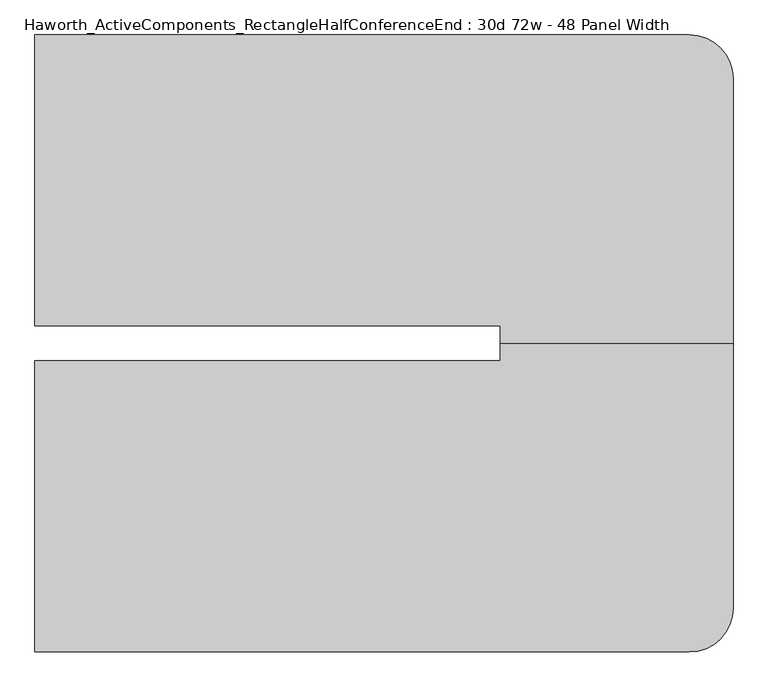
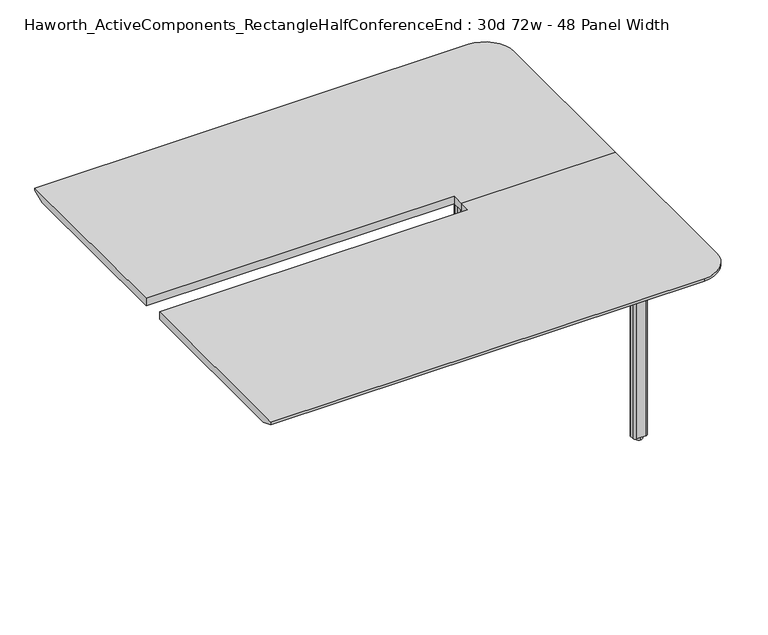
"""IFC4 building model written with IfcOpenShell, lengths in millimetres: furniture geometry, Haworth_ActiveComponents_RectangleHalfConferenceEnd : 30d 72w - 48 Panel Width."""

import ifcopenshell
import ifcopenshell.guid

model = None  # the IFC model being written
_history = None  # IfcOwnerHistory: only IFC2X3 demands one
_inside = {}  # id of a spatial element -> (the spatial element, [elements in it])
_under = {}  # id of a project, library or spatial element -> (it, [spatial elements below it])
_declared = {}  # id of a project -> (the project, [libraries it declares])
_typed = {}  # id of a type object -> (the type object, [elements of that type])
_made_of = {}  # id of a material, layer set ... -> (it, [elements and type objects made of it])


def new_model(schema):
    """Start an empty IFC model of exactly this schema.

    Asked for "IFC4X3", IfcOpenShell would pick the latest addendum, in which some entities
    have other attributes; the version numbers below select the first issue.
    IFC2X3 requires an IfcOwnerHistory on every rooted entity: one is made here for all.
    """
    global model, _history
    if schema == "IFC4X3":
        model = ifcopenshell.file(schema_version=(4, 3, 0, 0))
    else:
        model = ifcopenshell.file(schema=schema)
    _inside.clear()
    _under.clear()
    _declared.clear()
    _typed.clear()
    _made_of.clear()
    _history = None
    if model.schema == "IFC2X3":
        org = make("IfcOrganization", Name="unknown")
        user = make(
            "IfcPersonAndOrganization",
            ThePerson=make("IfcPerson", FamilyName="unknown"),
            TheOrganization=org,
        )
        app = make(
            "IfcApplication",
            ApplicationDeveloper=org,
            Version="unknown",
            ApplicationFullName="unknown",
            ApplicationIdentifier="unknown",
        )
        _history = make(
            "IfcOwnerHistory",
            OwningUser=user,
            OwningApplication=app,
            ChangeAction="ADDED",
            CreationDate=0,
        )
    return model


def make(cls, **values):
    """One entity of the class cls with the attributes given. An attribute that is None is left unset."""
    return model.create_entity(
        cls, **{name: value for name, value in values.items() if value is not None}
    )


def rooted(cls, **values):
    """An entity with a GlobalId (a new one), such as an element, a storey or a relation."""
    return make(cls, GlobalId=ifcopenshell.guid.new(), OwnerHistory=_history, **values)


def si_unit(unit_type, name, prefix=None):
    """IfcSIUnit, for example si_unit("LENGTHUNIT", "METRE", prefix="MILLI")."""
    return make("IfcSIUnit", UnitType=unit_type, Prefix=prefix, Name=name)


def assignment(units):
    """IfcUnitAssignment: the units of a project."""
    return None if units is None else make("IfcUnitAssignment", Units=units)


def point(xyz):
    """IfcCartesianPoint."""
    return None if xyz is None else make("IfcCartesianPoint", Coordinates=xyz)


def direction(xyz):
    """IfcDirection."""
    return None if xyz is None else make("IfcDirection", DirectionRatios=xyz)


def frame(location, z_axis=None, x_axis=None):
    """IfcAxis2Placement3D, a coordinate frame: its origin and axes. An axis left out is left unset."""
    return make(
        "IfcAxis2Placement3D",
        Location=point(location),
        Axis=direction(z_axis),
        RefDirection=direction(x_axis),
    )


def frame_2d(location, x_axis=None):
    """IfcAxis2Placement2D, a coordinate frame in the plane: its origin and x axis."""
    return make(
        "IfcAxis2Placement2D", Location=point(location), RefDirection=direction(x_axis)
    )


def origin():
    """The frame at (0, 0, 0) with its axes left unset."""
    return frame((0.0, 0.0, 0.0))


def origin_with_axes():
    """The frame at (0, 0, 0) with the z axis (0, 0, 1) and the x axis (1, 0, 0) written out."""
    return frame((0.0, 0.0, 0.0), z_axis=(0.0, 0.0, 1.0), x_axis=(1.0, 0.0, 0.0))


def place(relative_to, where):
    """IfcLocalPlacement: puts the frame where relative to a parent placement (None: the world)."""
    return make(
        "IfcLocalPlacement", PlacementRelTo=relative_to, RelativePlacement=where
    )


def context(
    kind, dimensions, precision=None, world=None, true_north=None, identifier=None
):
    """IfcGeometricRepresentationContext, for example the 3D "Model" context."""
    return make(
        "IfcGeometricRepresentationContext",
        ContextIdentifier=identifier,
        ContextType=kind,
        CoordinateSpaceDimension=dimensions,
        Precision=precision,
        WorldCoordinateSystem=world,
        TrueNorth=true_north,
    )


def project(units=None, contexts=None):
    """IfcProject with its units and contexts."""
    return rooted(
        "IfcProject",
        Name="project",
        RepresentationContexts=contexts,
        UnitsInContext=assignment(units),
    )


def spatial(cls, under=None, at=None, **own):
    """A site, building, storey or space (cls), placed at a placement, below another one or the project."""
    s = rooted(cls, ObjectPlacement=at, **own)
    if under is not None:
        _under.setdefault(under.id(), (under, []))[1].append(s)
    return s


def polyline(points):
    """IfcPolyline through the points."""
    return make("IfcPolyline", Points=[point(p) for p in points])


def circle_curve(where, radius):
    """IfcCircle in the frame where."""
    return make("IfcCircle", Position=where, Radius=radius)


def trimmed(basis, trim1, trim2, sense, master):
    """IfcTrimmedCurve: the piece of a basis curve between two trims."""
    return make(
        "IfcTrimmedCurve",
        BasisCurve=basis,
        Trim1=trim1,
        Trim2=trim2,
        SenseAgreement=sense,
        MasterRepresentation=master,
    )


def segment(curve, same_sense, transition):
    """IfcCompositeCurveSegment."""
    return make(
        "IfcCompositeCurveSegment",
        Transition=transition,
        SameSense=same_sense,
        ParentCurve=curve,
    )


def composite_curve(segments, self_intersect=None):
    """IfcCompositeCurve: segments joined end to end."""
    return make("IfcCompositeCurve", Segments=segments, SelfIntersect=self_intersect)


def outline(outer, holes=None, kind="AREA"):
    """IfcArbitraryClosedProfileDef: a profile drawn as a closed curve; with holes, ...WithVoids."""
    if holes is None:
        return make("IfcArbitraryClosedProfileDef", ProfileType=kind, OuterCurve=outer)
    return make(
        "IfcArbitraryProfileDefWithVoids",
        ProfileType=kind,
        OuterCurve=outer,
        InnerCurves=holes,
    )


def extrude(swept, where, along, depth):
    """IfcExtrudedAreaSolid: the profile swept, set in the frame where, extruded along a direction by depth."""
    return make(
        "IfcExtrudedAreaSolid",
        SweptArea=swept,
        Position=where,
        ExtrudedDirection=direction(along),
        Depth=depth,
    )


def shape(context_of_items, identifier, shape_type, items):
    """IfcShapeRepresentation: the items that make up one representation, for example the "Body"."""
    return make(
        "IfcShapeRepresentation",
        ContextOfItems=context_of_items,
        RepresentationIdentifier=identifier,
        RepresentationType=shape_type,
        Items=items,
    )


def source(mapping_origin, context_of_items, identifier, shape_type, items):
    """IfcRepresentationMap: a shape defined once, which mapped items show again and again."""
    return make(
        "IfcRepresentationMap",
        MappingOrigin=mapping_origin,
        MappedRepresentation=shape(context_of_items, identifier, shape_type, items),
    )


def transform(
    local_origin,
    x_axis=None,
    y_axis=None,
    z_axis=None,
    scale=None,
    scale2=None,
    scale3=None,
    uniform=True,
):
    """IfcCartesianTransformationOperator3D, or its non-uniform kind. x_axis, y_axis, z_axis: its Axis1, 2, 3."""
    if uniform:
        return make(
            "IfcCartesianTransformationOperator3D",
            Axis1=direction(x_axis),
            Axis2=direction(y_axis),
            LocalOrigin=point(local_origin),
            Scale=scale,
            Axis3=direction(z_axis),
        )
    return make(
        "IfcCartesianTransformationOperator3DnonUniform",
        Axis1=direction(x_axis),
        Axis2=direction(y_axis),
        LocalOrigin=point(local_origin),
        Scale=scale,
        Axis3=direction(z_axis),
        Scale2=scale2,
        Scale3=scale3,
    )


def mapped(mapping_source, mapping_target):
    """IfcMappedItem: shows the shape of a source again, moved by a transform."""
    return make(
        "IfcMappedItem", MappingSource=mapping_source, MappingTarget=mapping_target
    )


def made_of(thing, what):
    """Note that an element or type object is made of a material, layer set ...; save() writes the relation."""
    if what is not None:
        _made_of.setdefault(what.id(), (what, []))[1].append(thing)
    return thing


def element(
    cls,
    number,
    at=None,
    inside=None,
    cuts=None,
    type_object=None,
    material=None,
    context=None,
    identifier="Body",
    shape_type=None,
    held_by="IfcProductDefinitionShape",
    body=None,
    shapes=None,
    **own,
):
    """One element of the class cls, such as IfcWall. Its Tag is "e" and its number.

    at: its placement. inside: the storey or other place that contains it. cuts: it is an
    opening in that element (IfcRelVoidsElement). A single representation is given by context,
    identifier, shape_type and body (its items); several are given by shapes. held_by: the class
    of the entity that holds the representations. save() writes the other relations.
    """
    e = rooted(cls, Tag="e%d" % number, ObjectPlacement=at, **own)
    if body is not None:
        shapes = [shape(context, identifier, shape_type, body)]
    if shapes is not None:
        e.Representation = make(held_by, Representations=shapes)
    if inside is not None:
        _inside.setdefault(inside.id(), (inside, []))[1].append(e)
    if cuts is not None:
        rooted(
            "IfcRelVoidsElement", RelatingBuildingElement=cuts, RelatedOpeningElement=e
        )
    if type_object is not None:
        _typed.setdefault(type_object.id(), (type_object, []))[1].append(e)
    return made_of(e, material)


def aggregate(whole, parts):
    """IfcRelAggregates: a whole, such as a stair, and the parts it consists of."""
    return rooted("IfcRelAggregates", RelatingObject=whole, RelatedObjects=parts)


def save(model, path):
    """Write the relations noted so far, then the file.

    IfcRelAggregates (storeys below a building ...), IfcRelContainedInSpatialStructure (elements
    in a storey), IfcRelDefinesByType, IfcRelAssociatesMaterial and IfcRelDeclares: one each for
    every whole, place, type object, material and project.
    """
    for whole, parts in _under.values():
        aggregate(whole, parts)
    for where, things in _inside.values():
        rooted(
            "IfcRelContainedInSpatialStructure",
            RelatedElements=things,
            RelatingStructure=where,
        )
    for kind, things in _typed.values():
        rooted("IfcRelDefinesByType", RelatedObjects=things, RelatingType=kind)
    for what, things in _made_of.values():
        rooted("IfcRelAssociatesMaterial", RelatedObjects=things, RelatingMaterial=what)
    for by, libraries in _declared.values():
        rooted("IfcRelDeclares", RelatingContext=by, RelatedDefinitions=libraries)
    model.write(path)


def plane_surface(at):
    """IfcPlane: the flat surface through the origin of the frame at, square to its z axis."""
    return make("IfcPlane", Position=at)


def cylinder_surface(at, radius):
    """IfcCylindricalSurface: all points at the distance radius from the z axis of the frame at."""
    return make("IfcCylindricalSurface", Position=at, Radius=radius)


def revolved_surface(curve, axis_point, axis_direction):
    """IfcSurfaceOfRevolution: the curve turned about the line through axis_point along axis_direction."""
    return make(
        "IfcSurfaceOfRevolution",
        SweptCurve=make("IfcArbitraryOpenProfileDef", ProfileType="CURVE", Curve=curve),
        AxisPosition=make("IfcAxis1Placement", Location=point(axis_point), Axis=direction(axis_direction)),
    )


def advanced_brep(points, edges, surfaces, faces):
    """IfcAdvancedBrep: a solid bounded by faces that lie on surfaces and meet in shared edges.

    An edge is (start, end): straight between two places in points (the first is 0);
    or (start, end, curve); or (start, end, curve, False) where it runs against its curve.
    A face is (place in surfaces, loops), or (place, loops, False) where it looks against
    its surface's normal. A loop lists edges by number (the first is 1), with a minus sign
    where the edge is run from its end to its start. The first loop is the outer one.
    """
    corners = [point(p) for p in points]
    vertices = [make("IfcVertexPoint", VertexGeometry=c) for c in corners]
    made = []
    for start, end, *more in edges:
        made.append(
            make(
                "IfcEdgeCurve",
                EdgeStart=vertices[start],
                EdgeEnd=vertices[end],
                EdgeGeometry=more[0] if more else make("IfcPolyline", Points=[corners[start], corners[end]]),
                SameSense=more[1] if len(more) > 1 else True,
            )
        )
    hull = []
    for where, loops, *sense in faces:
        bounds = []
        for j, loop in enumerate(loops):
            ring = [make("IfcOrientedEdge", EdgeElement=made[abs(k) - 1], Orientation=k > 0) for k in loop]
            bounds.append(
                make(
                    "IfcFaceOuterBound" if j == 0 else "IfcFaceBound",
                    Bound=make("IfcEdgeLoop", EdgeList=ring),
                    Orientation=True,
                )
            )
        hull.append(make("IfcAdvancedFace", Bounds=bounds, FaceSurface=surfaces[where], SameSense=sense[0] if sense else True))
    return make("IfcAdvancedBrep", Outer=make("IfcClosedShell", CfsFaces=hull))


def haworth_activecomponents_rectanglehalfconferenceend_30d_72w_002b44cc(model_context):
    return source(origin(), model_context, "Body", "SolidModel", [
        extrude(outline(composite_curve([segment(polyline([(1027.90625, 830.5340234), (1027.90625, 963.8840234)]), True, "CONTINUOUS"), segment(trimmed(circle_curve(frame_2d((1037.43125, 963.8840234)), 9.525), [point((1027.90625, 963.8840234))], [point((1037.43125, 973.4090234))], False, "CARTESIAN"), True, "CONTINUOUS"), segment(polyline([(1037.43125, 973.4090234), (1170.78125, 973.4090234)]), True, "CONTINUOUS"), segment(trimmed(circle_curve(frame_2d((1170.78125, 963.8840234)), 9.525), [point((1170.78125, 973.4090234))], [point((1180.30625, 963.8840234))], False, "CARTESIAN"), True, "CONTINUOUS"), segment(polyline([(1180.30625, 963.8840234), (1180.30625, 830.5340234)]), True, "CONTINUOUS"), segment(trimmed(circle_curve(frame_2d((1170.78125, 830.5340234)), 9.525), [point((1180.30625, 830.5340234))], [point((1170.78125, 821.0090234))], False, "CARTESIAN"), True, "CONTINUOUS"), segment(polyline([(1170.78125, 821.0090234), (1037.43125, 821.0090234)]), True, "CONTINUOUS"), segment(trimmed(circle_curve(frame_2d((1037.43125, 830.5340234)), 9.525), [point((1037.43125, 821.0090234))], [point((1027.90625, 830.5340234))], False, "CARTESIAN"), True, "CONTINUOUS")], self_intersect=False)), frame((0.0, 0.0, 706.4375), z_axis=(0.0, 0.0, 1.0), x_axis=(1.0, 0.0, 0.0)), (0.0, 0.0, 1.0), 4.7625),
        extrude(outline(composite_curve([segment(trimmed(circle_curve(frame_2d((1104.10625, 897.2090234)), 13.6023831), [point((1104.10625, 910.8114065))], [point((1104.10625, 883.6066404))], False, "CARTESIAN"), True, "CONTINUOUS"), segment(trimmed(circle_curve(frame_2d((1104.10625, 897.2090234)), 13.6023831), [point((1104.10625, 883.6066404))], [point((1104.10625, 910.8114065))], False, "CARTESIAN"), True, "CONTINUOUS")], self_intersect=False)), origin_with_axes(), (0.0, 0.0, 1.0), 12.7),
        extrude(outline(composite_curve([segment(polyline([(1076.325, 889.2715234), (1076.325, 905.1465234)]), True, "CONTINUOUS"), segment(trimmed(circle_curve(frame_2d((1085.85, 905.1465234)), 9.525), [point((1076.325, 905.1465234))], [point((1085.85, 914.6715234))], False, "CARTESIAN"), True, "CONTINUOUS"), segment(polyline([(1085.85, 914.6715234), (1122.3625, 914.6715234)]), True, "CONTINUOUS"), segment(trimmed(circle_curve(frame_2d((1122.3625, 905.1465234)), 9.525), [point((1122.3625, 914.6715234))], [point((1131.8875, 905.1465234))], False, "CARTESIAN"), True, "CONTINUOUS"), segment(polyline([(1131.8875, 905.1465234), (1131.8875, 889.2715234)]), True, "CONTINUOUS"), segment(trimmed(circle_curve(frame_2d((1122.3625, 889.2715234)), 9.525), [point((1131.8875, 889.2715234))], [point((1122.3625, 879.7465234))], False, "CARTESIAN"), True, "CONTINUOUS"), segment(polyline([(1122.3625, 879.7465234), (1085.85, 879.7465234)]), True, "CONTINUOUS"), segment(trimmed(circle_curve(frame_2d((1085.85, 889.2715234)), 9.525), [point((1085.85, 879.7465234))], [point((1076.325, 889.2715234))], False, "CARTESIAN"), True, "CONTINUOUS")], self_intersect=False)), frame((0.0, 0.0, 12.7), z_axis=(0.0, 0.0, 1.0), x_axis=(1.0, 0.0, 0.0)), (0.0, 0.0, 1.0), 693.7375),
        advanced_brep(
        [(749.3, 341.5840234, 741.3625), (749.3, 295.5465234, 741.3625), (1358.9, 295.5465234, 741.3625), (1358.9, 989.2840234, 741.3625), (1244.6, 1103.5840234, 741.3625), (-469.9, 1103.5840234, 741.3625), (-469.9, 341.5840234, 741.3625), (749.3, 341.5840234, 711.2), (-469.9, 341.5840234, 711.2), (-469.9, 1052.7840234, 711.2), (1244.6, 1052.7840234, 711.2), (1308.1, 989.2840234, 711.2), (1308.1, 295.5465234, 711.2), (749.3, 295.5465234, 711.2), (-469.9, 1103.5840234, 731.8375), (1244.6, 1103.5840234, 731.8375), (1358.9, 295.5465234, 731.8375), (1358.9, 989.2840234, 731.8375)],
        [
            (0, 1),
            (1, 2),
            (2, 3),
            (3, 4, circle_curve(frame((1244.6, 989.2840234, 741.3625), z_axis=(0.0, 0.0, 1.0), x_axis=(1.0, 0.0, 0.0)), 114.3)),
            (4, 5),
            (5, 6),
            (6, 0),
            (7, 8),
            (8, 9),
            (9, 10),
            (10, 11, circle_curve(frame((1244.6, 989.2840234, 711.2), z_axis=(0.0, 0.0, -1.0), x_axis=(0.0, 1.0, 0.0)), 63.5)),
            (11, 12),
            (12, 13),
            (13, 7),
            (6, 8),
            (7, 0),
            (5, 14),
            (14, 9),
            (4, 15),
            (15, 14),
            (2, 16),
            (16, 17),
            (17, 3),
            (17, 15, circle_curve(frame((1244.6, 989.2840234, 731.8375), z_axis=(0.0, 0.0, 1.0), x_axis=(1.0, 0.0, 0.0)), 114.3)),
            (1, 13),
            (12, 16),
            (15, 10),
            (17, 11),
        ],
        [
            plane_surface(frame((-469.9, 341.5840234, 741.3625), z_axis=(0.0, 0.0, 1.0), x_axis=(-1.0, 0.0, 0.0))),
            plane_surface(frame((-469.9, 341.5840234, 711.2), z_axis=(0.0, 0.0, -1.0), x_axis=(1.0, 0.0, 0.0))),
            plane_surface(frame((749.3, 341.5840234, 741.3625), z_axis=(0.0, -1.0, 0.0), x_axis=(0.0, 0.0, -1.0))),
            plane_surface(frame((-469.9, 341.5840234, 741.3625), z_axis=(-1.0, 0.0, 0.0), x_axis=(0.0, 0.0, -1.0))),
            plane_surface(frame((-469.9, 1103.5840234, 741.3625), z_axis=(0.0, 1.0, 0.0), x_axis=(0.0, 0.0, -1.0))),
            plane_surface(frame((1358.9, 989.2840234, 741.3625), z_axis=(1.0, 0.0, 0.0), x_axis=(0.0, 0.0, -1.0))),
            cylinder_surface(frame((1244.6, 989.2840234, 711.2), z_axis=(0.0, 0.0, 1.0), x_axis=(1.0, 0.0, 0.0)), 114.3),
            plane_surface(frame((1358.9, 295.5465234, 741.3625), z_axis=(0.0, -1.0, 0.0), x_axis=(0.0, 0.0, -1.0))),
            plane_surface(frame((749.3, 295.5465234, 741.3625), z_axis=(-1.0, 0.0, 0.0), x_axis=(0.0, 0.0, -1.0))),
            plane_surface(frame((-469.9, 1103.5840234, 731.8375), z_axis=(0.0, 0.3763770469570871, -0.9264665771218423), x_axis=(1.0, 0.0, 0.0))),
            revolved_surface(polyline([(1244.6, 1052.7840234, 711.2), (1244.6, 1103.5840234, 731.8375)]), (1244.6, 989.2840234, 0.0), (0.0, 0.0, 1.0)),
            plane_surface(frame((1358.9, 989.2840234, 731.8375), z_axis=(0.3763770469570871, 0.0, -0.9264665771218423), x_axis=(0.0, -1.0, 0.0))),
        ],
        [
            (0, [[1, 2, 3, 4, 5, 6, 7]]),
            (1, [[8, 9, 10, 11, 12, 13, 14]]),
            (2, [[15, -8, 16, -7]]),
            (3, [[17, 18, -9, -15, -6]]),
            (4, [[19, 20, -17, -5]]),
            (5, [[21, 22, 23, -3]]),
            (6, [[-23, 24, -19, -4]]),
            (7, [[25, -13, 26, -21, -2]]),
            (8, [[-16, -14, -25, -1]]),
            (9, [[-10, -18, -20, 27]]),
            (10, [[-24, 28, -11, -27]]),
            (11, [[-22, -26, -12, -28]]),
        ],
    ),
        extrude(outline(composite_curve([segment(trimmed(circle_curve(frame_2d((1037.43125, -239.4409766)), 9.525), [point((1027.90625, -239.4409766))], [point((1037.43125, -229.9159766))], False, "CARTESIAN"), True, "CONTINUOUS"), segment(polyline([(1037.43125, -229.9159766), (1170.78125, -229.9159766)]), True, "CONTINUOUS"), segment(trimmed(circle_curve(frame_2d((1170.78125, -239.4409766)), 9.525), [point((1170.78125, -229.9159766))], [point((1180.30625, -239.4409766))], False, "CARTESIAN"), True, "CONTINUOUS"), segment(polyline([(1180.30625, -239.4409766), (1180.30625, -372.7909766)]), True, "CONTINUOUS"), segment(trimmed(circle_curve(frame_2d((1170.78125, -372.7909766)), 9.525), [point((1180.30625, -372.7909766))], [point((1170.78125, -382.3159766))], False, "CARTESIAN"), True, "CONTINUOUS"), segment(polyline([(1170.78125, -382.3159766), (1037.43125, -382.3159766)]), True, "CONTINUOUS"), segment(trimmed(circle_curve(frame_2d((1037.43125, -372.7909766)), 9.525), [point((1037.43125, -382.3159766))], [point((1027.90625, -372.7909766))], False, "CARTESIAN"), True, "CONTINUOUS"), segment(polyline([(1027.90625, -372.7909766), (1027.90625, -239.4409766)]), True, "CONTINUOUS")], self_intersect=False)), frame((0.0, 0.0, 706.4375), z_axis=(0.0, 0.0, 1.0), x_axis=(1.0, 0.0, 0.0)), (0.0, 0.0, 1.0), 4.7625),
        extrude(outline(composite_curve([segment(trimmed(circle_curve(frame_2d((1104.10625, -306.1159766)), 13.6023831), [point((1104.10625, -319.7183596))], [point((1104.10625, -292.5135935))], False, "CARTESIAN"), True, "CONTINUOUS"), segment(trimmed(circle_curve(frame_2d((1104.10625, -306.1159766)), 13.6023831), [point((1104.10625, -292.5135935))], [point((1104.10625, -319.7183596))], False, "CARTESIAN"), True, "CONTINUOUS")], self_intersect=False)), origin_with_axes(), (0.0, 0.0, 1.0), 12.7),
        extrude(outline(composite_curve([segment(trimmed(circle_curve(frame_2d((1085.85, -298.1784766)), 9.525), [point((1076.325, -298.1784766))], [point((1085.85, -288.6534766))], False, "CARTESIAN"), True, "CONTINUOUS"), segment(polyline([(1085.85, -288.6534766), (1122.3625, -288.6534766)]), True, "CONTINUOUS"), segment(trimmed(circle_curve(frame_2d((1122.3625, -298.1784766)), 9.525), [point((1122.3625, -288.6534766))], [point((1131.8875, -298.1784766))], False, "CARTESIAN"), True, "CONTINUOUS"), segment(polyline([(1131.8875, -298.1784766), (1131.8875, -314.0534766)]), True, "CONTINUOUS"), segment(trimmed(circle_curve(frame_2d((1122.3625, -314.0534766)), 9.525), [point((1131.8875, -314.0534766))], [point((1122.3625, -323.5784766))], False, "CARTESIAN"), True, "CONTINUOUS"), segment(polyline([(1122.3625, -323.5784766), (1085.85, -323.5784766)]), True, "CONTINUOUS"), segment(trimmed(circle_curve(frame_2d((1085.85, -314.0534766)), 9.525), [point((1085.85, -323.5784766))], [point((1076.325, -314.0534766))], False, "CARTESIAN"), True, "CONTINUOUS"), segment(polyline([(1076.325, -314.0534766), (1076.325, -298.1784766)]), True, "CONTINUOUS")], self_intersect=False)), frame((0.0, 0.0, 12.7), z_axis=(0.0, 0.0, 1.0), x_axis=(1.0, 0.0, 0.0)), (0.0, 0.0, 1.0), 693.7375),
        advanced_brep(
        [(749.3, 249.5090234, 741.3625), (-469.9, 249.5090234, 741.3625), (-469.9, -512.4909766, 741.3625), (1244.6, -512.4909766, 741.3625), (1358.9, -398.1909766, 741.3625), (1358.9, 295.5465234, 741.3625), (749.3, 295.5465234, 741.3625), (749.3, 249.5090234, 711.2), (749.3, 295.5465234, 711.2), (1308.1, 295.5465234, 711.2), (1308.1, -398.1909766, 711.2), (1244.6, -461.6909766, 711.2), (-469.9, -461.6909766, 711.2), (-469.9, 249.5090234, 711.2), (-469.9, -512.4909766, 731.8375), (1244.6, -512.4909766, 731.8375), (1358.9, -398.1909766, 731.8375), (1358.9, 295.5465234, 731.8375)],
        [
            (0, 1),
            (1, 2),
            (2, 3),
            (3, 4, circle_curve(frame((1244.6, -398.1909766, 741.3625), z_axis=(0.0, 0.0, 1.0), x_axis=(1.0, 0.0, 0.0)), 114.3)),
            (4, 5),
            (5, 6),
            (6, 0),
            (7, 8),
            (8, 9),
            (9, 10),
            (10, 11, circle_curve(frame((1244.6, -398.1909766, 711.2), z_axis=(0.0, 0.0, -1.0), x_axis=(0.0, -1.0, 0.0)), 63.5)),
            (11, 12),
            (12, 13),
            (13, 7),
            (0, 7),
            (13, 1),
            (12, 14),
            (14, 2),
            (14, 15),
            (15, 3),
            (4, 16),
            (16, 17),
            (17, 5),
            (15, 16, circle_curve(frame((1244.6, -398.1909766, 731.8375), z_axis=(0.0, 0.0, 1.0), x_axis=(1.0, 0.0, 0.0)), 114.3)),
            (17, 9),
            (8, 6),
            (11, 15),
            (10, 16),
        ],
        [
            plane_surface(frame((-469.9, 249.5090234, 741.3625), z_axis=(0.0, 0.0, 1.0), x_axis=(-1.0, 0.0, 0.0))),
            plane_surface(frame((-469.9, 249.5090234, 711.2), z_axis=(0.0, 0.0, -1.0), x_axis=(1.0, 0.0, 0.0))),
            plane_surface(frame((749.3, 249.5090234, 741.3625), z_axis=(0.0, 1.0, 0.0), x_axis=(0.0, 0.0, -1.0))),
            plane_surface(frame((-469.9, 249.5090234, 741.3625), z_axis=(-1.0, 0.0, 0.0), x_axis=(0.0, 0.0, -1.0))),
            plane_surface(frame((-469.9, -512.4909766, 741.3625), z_axis=(0.0, -1.0, 0.0), x_axis=(0.0, 0.0, -1.0))),
            plane_surface(frame((1358.9, -398.1909766, 741.3625), z_axis=(1.0, 0.0, 0.0), x_axis=(0.0, 0.0, -1.0))),
            cylinder_surface(frame((1244.6, -398.1909766, 711.2), z_axis=(0.0, 0.0, 1.0), x_axis=(1.0, 0.0, 0.0)), 114.3),
            plane_surface(frame((1358.9, 295.5465234, 741.3625), z_axis=(0.0, 1.0, 0.0), x_axis=(0.0, 0.0, -1.0))),
            plane_surface(frame((749.3, 295.5465234, 741.3625), z_axis=(-1.0, 0.0, 0.0), x_axis=(0.0, 0.0, -1.0))),
            plane_surface(frame((-469.9, -512.4909766, 731.8375), z_axis=(0.0, -0.3763770469570871, -0.9264665771218423), x_axis=(1.0, 0.0, 0.0))),
            revolved_surface(polyline([(1244.6, -461.6909766, 711.2), (1244.6, -512.4909766, 731.8375)]), (1244.6, -398.1909766, 0.0), (0.0, 0.0, 1.0)),
            plane_surface(frame((1358.9, -398.1909766, 731.8375), z_axis=(0.3763770469570871, 0.0, -0.9264665771218423), x_axis=(0.0, 1.0, 0.0))),
        ],
        [
            (0, [[1, 2, 3, 4, 5, 6, 7]]),
            (1, [[8, 9, 10, 11, 12, 13, 14]]),
            (2, [[-1, 15, -14, 16]]),
            (3, [[-2, -16, -13, 17, 18]]),
            (4, [[-3, -18, 19, 20]]),
            (5, [[-5, 21, 22, 23]]),
            (6, [[-4, -20, 24, -21]]),
            (7, [[-6, -23, 25, -9, 26]]),
            (8, [[-7, -26, -8, -15]]),
            (9, [[27, -19, -17, -12]]),
            (10, [[-27, -11, 28, -24]]),
            (11, [[-28, -10, -25, -22]]),
        ],
    ),
    ])


if __name__ == "__main__":
    model = new_model("IFC4")
    model_context = context("Model", 3, world=origin())
    ifc_project = project(units=[si_unit("LENGTHUNIT", "METRE", prefix="MILLI")], contexts=[model_context])
    site = spatial("IfcSite", under=ifc_project)
    building = spatial("IfcBuilding", under=site)
    placement = place(None, origin())
    haworth_activecomponents_rectanglehalfconferenceend_30d_72w_shape = haworth_activecomponents_rectanglehalfconferenceend_30d_72w_002b44cc(model_context)
    element("IfcFurniture", 1, ObjectType="Haworth_ActiveComponents_RectangleHalfConferenceEnd : 30d 72w - 48 Panel Width", at=placement, inside=building, context=model_context, shape_type="MappedRepresentation", body=[
        mapped(haworth_activecomponents_rectanglehalfconferenceend_30d_72w_shape, transform((0.0, 0.0, 0.0), x_axis=(1.0, 0.0, 0.0), y_axis=(0.0, 1.0, 0.0), z_axis=(0.0, 0.0, 1.0))),
    ])
    save(model, "model.ifc")
